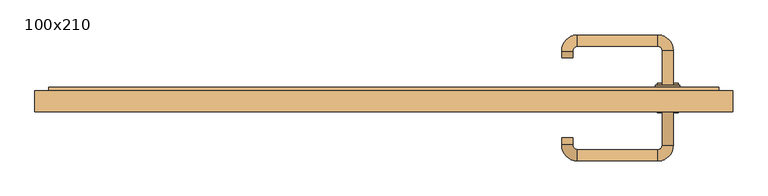
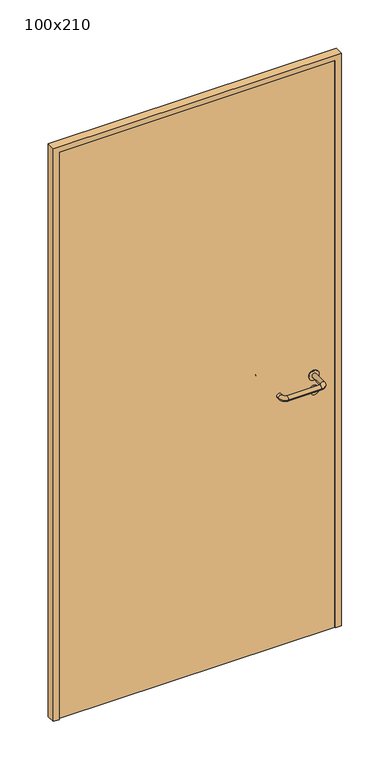
"""IFC4 building model written with IfcOpenShell, lengths in millimetres: door geometry, 100x210."""

from ifc_helpers import new_model, si_unit, point, frame, frame_2d, origin, origin_with_axes, place, context, project, spatial, polyline, circle_curve, ellipse_curve, trimmed, segment, composite_curve, outline, extrude, source, transform, mapped, element, save
from ifc_brep_helpers import plane_surface, cylinder_surface, revolved_surface, advanced_brep


def door_100x210_bc4b62b7(model_context):
    return source(origin(), model_context, "Body", "SolidModel", [
        extrude(outline(composite_curve([segment(trimmed(circle_curve(frame_2d((897.3605726, 407.0)), 15.0), [point((897.3605726, 422.0))], [point((897.3605726, 392.0))], False, "CARTESIAN"), True, "CONTINUOUS"), segment(trimmed(circle_curve(frame_2d((897.3605726, 407.0)), 15.0), [point((897.3605726, 392.0))], [point((897.3605726, 422.0))], False, "CARTESIAN"), True, "CONTINUOUS")], self_intersect=False), holes=[composite_curve([segment(trimmed(circle_curve(frame_2d((892.5833211, 406.9398032)), 2.0), [point((892.5833211, 408.9398032))], [point((892.5833211, 404.9398032))], True, "CARTESIAN"), True, "CONTINUOUS"), segment(polyline([(892.5833211, 404.9398032), (902.5833211, 404.9398032)]), True, "CONTINUOUS"), segment(trimmed(circle_curve(frame_2d((902.5833211, 406.9398032)), 2.0), [point((902.5833211, 404.9398032))], [point((902.5833211, 408.9398032))], True, "CARTESIAN"), True, "CONTINUOUS"), segment(polyline([(902.5833211, 408.9398032), (892.5833211, 408.9398032)]), True, "CONTINUOUS")], self_intersect=False)]), frame((0.0, 10.0, 0.0), z_axis=(0.0, 1.0, 0.0), x_axis=(0.0, 0.0, 1.0)), (0.0, 0.0, 1.0), 6.35),
        extrude(outline(composite_curve([segment(trimmed(circle_curve(frame_2d((950.0, 407.0)), 17.526), [point((950.0, 424.526))], [point((950.0, 389.474))], False, "CARTESIAN"), True, "CONTINUOUS"), segment(trimmed(circle_curve(frame_2d((950.0, 407.0)), 17.526), [point((950.0, 389.474))], [point((950.0, 424.526))], False, "CARTESIAN"), True, "CONTINUOUS")], self_intersect=False)), frame((0.0, 10.0, 0.0), z_axis=(0.0, 1.0, 0.0), x_axis=(0.0, 0.0, 1.0)), (0.0, 0.0, 1.0), 3.175),
        advanced_brep(
        [(415.0, 10.0, 950.0), (399.0, 10.0, 950.0), (415.0, 63.0, 950.0), (399.0, 63.0, 950.0), (392.8578644, 69.1421356, 950.0), (392.8578644, 85.1421356, 950.0), (277.8578644, 85.1421356, 950.0), (277.8578644, 69.1421356, 950.0), (271.008622, 62.2928932, 950.0), (255.008622, 62.2928932, 950.0), (255.008622, 52.2928932, 950.0), (271.008622, 52.2928932, 950.0)],
        [
            (0, 1, circle_curve(frame((407.0, 10.0, 950.0), z_axis=(0.0, -1.0, 0.0), x_axis=(-1.0, 0.0, 0.0)), 8.0)),
            (1, 0, circle_curve(frame((407.0, 10.0, 950.0), z_axis=(0.0, -1.0, 0.0), x_axis=(-1.0, 0.0, 0.0)), 8.0)),
            (0, 2),
            (2, 3, circle_curve(frame((407.0, 63.0, 950.0), z_axis=(0.0, -1.0, 0.0), x_axis=(-1.0, 0.0, 0.0)), 8.0)),
            (3, 1),
            (3, 2, circle_curve(frame((407.0, 63.0, 950.0), z_axis=(0.0, -1.0, 0.0), x_axis=(-1.0, 0.0, 0.0)), 8.0)),
            (4, 3, circle_curve(frame((392.8578644, 63.0, 950.0), z_axis=(0.0, 0.0, -1.0), x_axis=(1.0, 0.0, 0.0)), 6.1421356)),
            (2, 5, circle_curve(frame((392.8578644, 63.0, 950.0), z_axis=(0.0, 0.0, 1.0), x_axis=(1.0, 0.0, 0.0)), 22.1421356)),
            (5, 4, circle_curve(frame((392.8578644, 77.1421356, 950.0), z_axis=(1.0, 0.0, 0.0), x_axis=(0.0, -1.0, 0.0)), 8.0)),
            (4, 5, circle_curve(frame((392.8578644, 77.1421356, 950.0), z_axis=(1.0, 0.0, 0.0), x_axis=(0.0, -1.0, 0.0)), 8.0)),
            (5, 6),
            (6, 7, circle_curve(frame((277.8578644, 77.1421356, 950.0), z_axis=(1.0, 0.0, 0.0), x_axis=(0.0, -1.0, 0.0)), 8.0)),
            (7, 4),
            (7, 6, circle_curve(frame((277.8578644, 77.1421356, 950.0), z_axis=(1.0, 0.0, 0.0), x_axis=(0.0, -1.0, 0.0)), 8.0)),
            (8, 7, circle_curve(frame((277.8578644, 62.2928932, 950.0), z_axis=(0.0, 0.0, -1.0), x_axis=(0.0, 1.0, 0.0)), 6.8492424)),
            (6, 9, circle_curve(frame((277.8578644, 62.2928932, 950.0), z_axis=(0.0, 0.0, 1.0), x_axis=(0.0, 1.0, 0.0)), 22.8492424)),
            (9, 8, circle_curve(frame((263.008622, 62.2928932, 950.0), z_axis=(0.0, 1.0, 0.0), x_axis=(1.0, 0.0, 0.0)), 8.0)),
            (8, 9, circle_curve(frame((263.008622, 62.2928932, 950.0), z_axis=(0.0, 1.0, 0.0), x_axis=(1.0, 0.0, 0.0)), 8.0)),
            (10, 11, circle_curve(frame((263.008622, 52.2928932, 950.0), z_axis=(0.0, -1.0, 0.0), x_axis=(1.0, 0.0, 0.0)), 8.0)),
            (11, 10, circle_curve(frame((263.008622, 52.2928932, 950.0), z_axis=(0.0, -1.0, 0.0), x_axis=(1.0, 0.0, 0.0)), 8.0)),
            (9, 10),
            (11, 8),
        ],
        [
            plane_surface(frame((407.0, 10.0, 0.0), z_axis=(0.0, -1.0, 0.0), x_axis=(0.0, 0.0, 1.0))),
            cylinder_surface(frame((407.0, 10.0, 950.0), z_axis=(0.0, -1.0, 0.0), x_axis=(-1.0, 0.0, 0.0)), 8.0),
            revolved_surface(trimmed(ellipse_curve(frame((407.0, 63.0, 950.0), z_axis=(0.0, -1.0, 0.0), x_axis=(-1.0, 0.0, 0.0)), 8.0, 8.0), [point((415.0, 63.0, 950.0))], [point((399.0, 63.0, 950.0))], True, "CARTESIAN"), (392.8578644, 63.0, 0.0), (0.0, 0.0, 1.0)),
            revolved_surface(trimmed(ellipse_curve(frame((407.0, 63.0, 950.0), z_axis=(0.0, -1.0, 0.0), x_axis=(-1.0, 0.0, 0.0)), 8.0, 8.0), [point((399.0, 63.0, 950.0))], [point((415.0, 63.0, 950.0))], True, "CARTESIAN"), (392.8578644, 63.0, 0.0), (0.0, 0.0, 1.0)),
            cylinder_surface(frame((392.8578644, 77.1421356, 950.0), z_axis=(1.0, 0.0, 0.0), x_axis=(0.0, -1.0, 0.0)), 8.0),
            revolved_surface(trimmed(ellipse_curve(frame((277.8578644, 77.1421356, 950.0), z_axis=(1.0, 0.0, 0.0), x_axis=(0.0, -1.0, 0.0)), 8.0, 8.0), [point((277.8578644, 85.1421356, 950.0))], [point((277.8578644, 69.1421356, 950.0))], True, "CARTESIAN"), (277.8578644, 62.2928932, 0.0), (0.0, 0.0, 1.0)),
            revolved_surface(trimmed(ellipse_curve(frame((277.8578644, 77.1421356, 950.0), z_axis=(1.0, 0.0, 0.0), x_axis=(0.0, -1.0, 0.0)), 8.0, 8.0), [point((277.8578644, 69.1421356, 950.0))], [point((277.8578644, 85.1421356, 950.0))], True, "CARTESIAN"), (277.8578644, 62.2928932, 0.0), (0.0, 0.0, 1.0)),
            plane_surface(frame((263.008622, 52.2928932, 0.0), z_axis=(0.0, -1.0, 0.0), x_axis=(0.0, 0.0, 1.0))),
            cylinder_surface(frame((263.008622, 62.2928932, 950.0), z_axis=(0.0, 1.0, 0.0), x_axis=(1.0, 0.0, 0.0)), 8.0),
        ],
        [
            (0, [[1, 2]]),
            (1, [[-1, 3, 4, 5]]),
            (1, [[-2, -5, 6, -3]]),
            (2, [[7, -4, 8, 9]]),
            (3, [[-8, -6, -7, 10]]),
            (4, [[-9, 11, 12, 13]]),
            (4, [[-10, -13, 14, -11]]),
            (5, [[15, -12, 16, 17]]),
            (6, [[-16, -14, -15, 18]]),
            (7, [[19, 20]]),
            (8, [[-17, 21, -20, 22]]),
            (8, [[-18, -22, -19, -21]]),
        ],
    ),
        extrude(outline(composite_curve([segment(trimmed(circle_curve(frame_2d((0.0, 15.0)), 15.0), [point((0.0, 30.0))], [point((0.0, 0.0))], False, "CARTESIAN"), True, "CONTINUOUS"), segment(trimmed(circle_curve(frame_2d((0.0, 15.0)), 15.0), [point((0.0, 0.0))], [point((0.0, 30.0))], False, "CARTESIAN"), True, "CONTINUOUS")], self_intersect=False), holes=[composite_curve([segment(trimmed(circle_curve(frame_2d((-4.7772515, 14.9398032)), 2.0), [point((-4.7772515, 16.9398032))], [point((-4.7772515, 12.9398032))], True, "CARTESIAN"), True, "CONTINUOUS"), segment(polyline([(-4.7772515, 12.9398032), (5.2227485, 12.9398032)]), True, "CONTINUOUS"), segment(trimmed(circle_curve(frame_2d((5.2227485, 14.9398032)), 2.0), [point((5.2227485, 12.9398032))], [point((5.2227485, 16.9398032))], True, "CARTESIAN"), True, "CONTINUOUS"), segment(polyline([(5.2227485, 16.9398032), (-4.7772515, 16.9398032)]), True, "CONTINUOUS")], self_intersect=False)]), frame((392.0, -26.35, 897.3605726), z_axis=(-1.8870575173328306e-12, 1.0, 0.0), x_axis=(0.0, 0.0, 1.0)), (0.0, 0.0, 1.0), 6.35),
        extrude(outline(composite_curve([segment(trimmed(circle_curve(frame_2d((0.0, 17.526)), 17.526), [point((0.0, 35.052))], [point((0.0, 0.0))], False, "CARTESIAN"), True, "CONTINUOUS"), segment(trimmed(circle_curve(frame_2d((0.0, 17.526)), 17.526), [point((0.0, 0.0))], [point((0.0, 35.052))], False, "CARTESIAN"), True, "CONTINUOUS")], self_intersect=False)), frame((389.474, -23.175, 950.0), z_axis=(-1.8870575173328306e-12, 1.0, 0.0), x_axis=(0.0, 0.0, 1.0)), (0.0, 0.0, 1.0), 3.175),
        advanced_brep(
        [(415.0, -20.0, 950.0), (399.0, -20.0, 950.0), (399.0, -73.0, 950.0), (415.0, -73.0, 950.0), (392.8578644, -79.1421356, 950.0), (392.8578644, -95.1421356, 950.0), (277.8578644, -79.1421356, 950.0), (277.8578644, -95.1421356, 950.0), (271.008622, -72.2928932, 950.0), (255.008622, -72.2928932, 950.0), (255.008622, -62.2928932, 950.0), (271.008622, -62.2928932, 950.0)],
        [
            (0, 1, circle_curve(frame((407.0, -20.0, 950.0), z_axis=(-1.888672253512351e-12, 1.0, 0.0), x_axis=(-1.0, -1.888672253512351e-12, 0.0)), 8.0)),
            (1, 0, circle_curve(frame((407.0, -20.0, 950.0), z_axis=(-1.888672253512351e-12, 1.0, 0.0), x_axis=(-1.0, -1.888672253512351e-12, 0.0)), 8.0)),
            (1, 2),
            (2, 3, circle_curve(frame((407.0, -73.0, 950.0), z_axis=(-1.888672253512351e-12, 1.0, 0.0), x_axis=(-1.0, -1.888672253512351e-12, 0.0)), 8.0)),
            (3, 0),
            (3, 2, circle_curve(frame((407.0, -73.0, 950.0), z_axis=(-1.888672253512351e-12, 1.0, 0.0), x_axis=(-1.0, -1.888672253512351e-12, 0.0)), 8.0)),
            (4, 5, circle_curve(frame((392.8578644, -87.1421356, 950.0), z_axis=(1.0, 1.913702061528922e-12, 0.0), x_axis=(-1.913702061528922e-12, 1.0, 0.0)), 8.0)),
            (5, 3, circle_curve(frame((392.8578644, -73.0, 950.0), z_axis=(0.0, 0.0, 1.0), x_axis=(1.0, 1.880717803715015e-12, 0.0)), 22.1421356)),
            (2, 4, circle_curve(frame((392.8578644, -73.0, 950.0), z_axis=(0.0, 0.0, -1.0), x_axis=(1.0, 1.880717803715015e-12, 0.0)), 6.1421356)),
            (5, 4, circle_curve(frame((392.8578644, -87.1421356, 950.0), z_axis=(1.0, 1.913702061528922e-12, 0.0), x_axis=(-1.913702061528922e-12, 1.0, 0.0)), 8.0)),
            (4, 6),
            (6, 7, circle_curve(frame((277.8578644, -87.1421356, 950.0), z_axis=(1.0, 1.913719828541269e-12, 0.0), x_axis=(-1.913719828541269e-12, 1.0, 0.0)), 8.0)),
            (7, 5),
            (7, 6, circle_curve(frame((277.8578644, -87.1421356, 950.0), z_axis=(1.0, 1.913719828541269e-12, 0.0), x_axis=(-1.913719828541269e-12, 1.0, 0.0)), 8.0)),
            (8, 9, circle_curve(frame((263.008622, -72.2928932, 950.0), z_axis=(1.8888942981172756e-12, -1.0, 0.0), x_axis=(1.0, 1.8888942981172756e-12, 0.0)), 8.0)),
            (9, 7, circle_curve(frame((277.8578644, -72.2928932, 950.0), z_axis=(0.0, 0.0, 1.0), x_axis=(1.9120873253494017e-12, -1.0, 0.0)), 22.8492424)),
            (6, 8, circle_curve(frame((277.8578644, -72.2928932, 950.0), z_axis=(0.0, 0.0, -1.0), x_axis=(1.9120873253494017e-12, -1.0, 0.0)), 6.8492424)),
            (9, 8, circle_curve(frame((263.008622, -72.2928932, 950.0), z_axis=(1.890448610351751e-12, -1.0, 0.0), x_axis=(1.0, 1.890448610351751e-12, 0.0)), 8.0)),
            (10, 11, circle_curve(frame((263.008622, -62.2928932, 950.0), z_axis=(-1.8903642334018795e-12, 1.0, 0.0), x_axis=(1.0, 1.8903642334018795e-12, 0.0)), 8.0)),
            (11, 10, circle_curve(frame((263.008622, -62.2928932, 950.0), z_axis=(-1.8903642334018795e-12, 1.0, 0.0), x_axis=(1.0, 1.8903642334018795e-12, 0.0)), 8.0)),
            (8, 11),
            (10, 9),
        ],
        [
            plane_surface(frame((407.0, -20.0, 0.0), z_axis=(-1.8870575173328306e-12, 1.0, 0.0), x_axis=(0.0, 0.0, 1.0))),
            cylinder_surface(frame((407.0, -20.0, 950.0), z_axis=(-1.888672253512351e-12, 1.0, 0.0), x_axis=(-1.0, -1.888672253512351e-12, 0.0)), 8.0),
            revolved_surface(trimmed(ellipse_curve(frame((407.0, -73.0, 950.0), z_axis=(1.8823325398945356e-12, -1.0, 0.0), x_axis=(-1.0, -1.8823325398945356e-12, 0.0)), 8.0, 8.0), [point((415.0, -73.0, 950.0))], [point((399.0, -73.0, 950.0))], True, "CARTESIAN"), (392.8578644, -73.0, 0.0), (0.0, 0.0, 1.0)),
            revolved_surface(trimmed(ellipse_curve(frame((407.0, -73.0, 950.0), z_axis=(1.8823325398945356e-12, -1.0, 0.0), x_axis=(-1.0, -1.8823325398945356e-12, 0.0)), 8.0, 8.0), [point((399.0, -73.0, 950.0))], [point((415.0, -73.0, 950.0))], True, "CARTESIAN"), (392.8578644, -73.0, 0.0), (0.0, 0.0, 1.0)),
            cylinder_surface(frame((392.8578644, -87.1421356, 950.0), z_axis=(1.0, 1.913719828541269e-12, 0.0), x_axis=(-1.913719828541269e-12, 1.0, 0.0)), 8.0),
            revolved_surface(trimmed(ellipse_curve(frame((277.8578644, -87.1421356, 950.0), z_axis=(-1.0, -1.913702061528922e-12, 0.0), x_axis=(-1.913702061528922e-12, 1.0, 0.0)), 8.0, 8.0), [point((277.8578644, -95.1421356, 950.0))], [point((277.8578644, -79.1421356, 950.0))], True, "CARTESIAN"), (277.8578644, -72.2928932, 0.0), (0.0, 0.0, 1.0)),
            revolved_surface(trimmed(ellipse_curve(frame((277.8578644, -87.1421356, 950.0), z_axis=(-1.0, -1.913702061528922e-12, 0.0), x_axis=(-1.913702061528922e-12, 1.0, 0.0)), 8.0, 8.0), [point((277.8578644, -79.1421356, 950.0))], [point((277.8578644, -95.1421356, 950.0))], True, "CARTESIAN"), (277.8578644, -72.2928932, 0.0), (0.0, 0.0, 1.0)),
            plane_surface(frame((263.008622, -62.2928932, 0.0), z_axis=(-1.8887494972223595e-12, 1.0, 0.0), x_axis=(0.0, 0.0, 1.0))),
            cylinder_surface(frame((263.008622, -72.2928932, 950.0), z_axis=(1.8903642334018795e-12, -1.0, 0.0), x_axis=(1.0, 1.8903642334018795e-12, 0.0)), 8.0),
        ],
        [
            (0, [[1, 2]]),
            (1, [[3, 4, 5, -2]]),
            (1, [[-5, 6, -3, -1]]),
            (2, [[7, 8, -4, 9]]),
            (3, [[10, -9, -6, -8]]),
            (4, [[11, 12, 13, -7]]),
            (4, [[-13, 14, -11, -10]]),
            (5, [[15, 16, -12, 17]]),
            (6, [[18, -17, -14, -16]]),
            (7, [[19, 20]]),
            (8, [[21, -19, 22, -15]]),
            (8, [[-22, -20, -21, -18]]),
        ],
    ),
        extrude(outline(polyline([(2080.0, 480.0), (0.0, 480.0), (0.0, 500.0), (2100.0, 500.0), (2100.0, -500.0), (0.0, -500.0), (0.0, -480.0), (2080.0, -480.0), (2080.0, 480.0)])), frame((0.0, -25.0, 0.0), z_axis=(0.0, 1.0, 0.0), x_axis=(0.0, 0.0, 1.0)), (0.0, 0.0, 1.0), 30.0),
        extrude(outline(polyline([(-480.0, -20.0), (-480.0, 10.0), (480.0, 10.0), (480.0, -20.0), (-480.0, -20.0)])), origin_with_axes(), (0.0, 0.0, 1.0), 2080.0),
    ])


if __name__ == "__main__":
    model = new_model("IFC4")
    model_context = context("Model", 3, world=origin())
    ifc_project = project(units=[si_unit("LENGTHUNIT", "METRE", prefix="MILLI")], contexts=[model_context])
    site = spatial("IfcSite", under=ifc_project)
    building = spatial("IfcBuilding", under=site)
    placement = place(None, origin())
    door_100x210_shape = door_100x210_bc4b62b7(model_context)
    element("IfcDoor", 1, ObjectType="100x210", at=placement, inside=building, context=model_context, shape_type="MappedRepresentation", body=[
        mapped(door_100x210_shape, transform((0.0, 0.0, 0.0), x_axis=(1.0, 0.0, 0.0), y_axis=(0.0, 1.0, 0.0), z_axis=(0.0, 0.0, 1.0))),
    ])
    save(model, "model.ifc")
